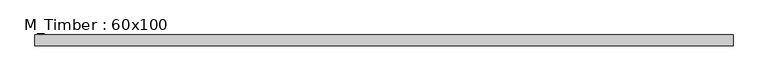
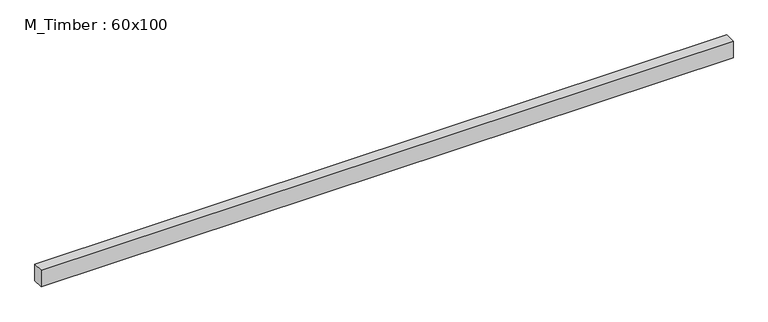
"""IFC4 building model written with IfcOpenShell, lengths in millimetres: beam geometry, M_Timber : 60x100."""

from ifc_helpers import new_model, si_unit, frame, origin, place, context, project, spatial, polyline, outline, extrude, source, transform, mapped, element, save


def m_timber_60x100_e56b8a63(model_context):
    return source(origin(), model_context, "Body", "SweptSolid", [
        extrude(outline(polyline([(1961.1933501, 30.0), (1961.1933501, -30.0), (-1942.1825411, -30.0), (-1942.1825411, 30.0), (1961.1933501, 30.0)])), frame((0.0, 0.0, -50.0), z_axis=(0.0, 0.0, 1.0), x_axis=(1.0, 0.0, 0.0)), (0.0, 0.0, 1.0), 100.0),
    ])


if __name__ == "__main__":
    model = new_model("IFC4")
    model_context = context("Model", 3, world=origin())
    ifc_project = project(units=[si_unit("LENGTHUNIT", "METRE", prefix="MILLI")], contexts=[model_context])
    site = spatial("IfcSite", under=ifc_project)
    building = spatial("IfcBuilding", under=site)
    placement = place(None, origin())
    m_timber_60x100_shape = m_timber_60x100_e56b8a63(model_context)
    element("IfcBeam", 1, ObjectType="M_Timber : 60x100", at=placement, inside=building, context=model_context, shape_type="MappedRepresentation", body=[
        mapped(m_timber_60x100_shape, transform((0.0, 0.0, 0.0), x_axis=(1.0, 0.0, 0.0), y_axis=(0.0, 1.0, 0.0), z_axis=(0.0, 0.0, 1.0))),
    ])
    save(model, "model.ifc")
